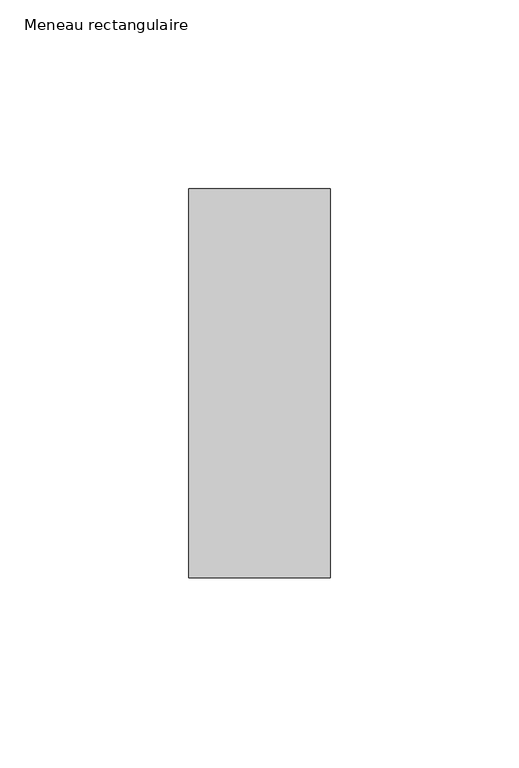
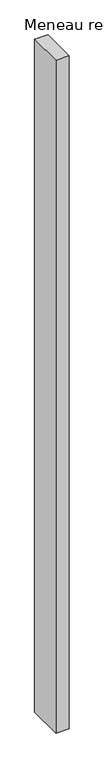
"""IFC4 building model written with IfcOpenShell, lengths in millimetres: member geometry, Meneau rectangulaire."""

import ifcopenshell
import ifcopenshell.guid

model = None  # the IFC model being written
_history = None  # IfcOwnerHistory: only IFC2X3 demands one
_inside = {}  # id of a spatial element -> (the spatial element, [elements in it])
_under = {}  # id of a project, library or spatial element -> (it, [spatial elements below it])
_declared = {}  # id of a project -> (the project, [libraries it declares])
_typed = {}  # id of a type object -> (the type object, [elements of that type])
_made_of = {}  # id of a material, layer set ... -> (it, [elements and type objects made of it])


def new_model(schema):
    """Start an empty IFC model of exactly this schema.

    Asked for "IFC4X3", IfcOpenShell would pick the latest addendum, in which some entities
    have other attributes; the version numbers below select the first issue.
    IFC2X3 requires an IfcOwnerHistory on every rooted entity: one is made here for all.
    """
    global model, _history
    if schema == "IFC4X3":
        model = ifcopenshell.file(schema_version=(4, 3, 0, 0))
    else:
        model = ifcopenshell.file(schema=schema)
    _inside.clear()
    _under.clear()
    _declared.clear()
    _typed.clear()
    _made_of.clear()
    _history = None
    if model.schema == "IFC2X3":
        org = make("IfcOrganization", Name="unknown")
        user = make(
            "IfcPersonAndOrganization",
            ThePerson=make("IfcPerson", FamilyName="unknown"),
            TheOrganization=org,
        )
        app = make(
            "IfcApplication",
            ApplicationDeveloper=org,
            Version="unknown",
            ApplicationFullName="unknown",
            ApplicationIdentifier="unknown",
        )
        _history = make(
            "IfcOwnerHistory",
            OwningUser=user,
            OwningApplication=app,
            ChangeAction="ADDED",
            CreationDate=0,
        )
    return model


def make(cls, **values):
    """One entity of the class cls with the attributes given. An attribute that is None is left unset."""
    return model.create_entity(
        cls, **{name: value for name, value in values.items() if value is not None}
    )


def rooted(cls, **values):
    """An entity with a GlobalId (a new one), such as an element, a storey or a relation."""
    return make(cls, GlobalId=ifcopenshell.guid.new(), OwnerHistory=_history, **values)


def si_unit(unit_type, name, prefix=None):
    """IfcSIUnit, for example si_unit("LENGTHUNIT", "METRE", prefix="MILLI")."""
    return make("IfcSIUnit", UnitType=unit_type, Prefix=prefix, Name=name)


def assignment(units):
    """IfcUnitAssignment: the units of a project."""
    return None if units is None else make("IfcUnitAssignment", Units=units)


def point(xyz):
    """IfcCartesianPoint."""
    return None if xyz is None else make("IfcCartesianPoint", Coordinates=xyz)


def direction(xyz):
    """IfcDirection."""
    return None if xyz is None else make("IfcDirection", DirectionRatios=xyz)


def frame(location, z_axis=None, x_axis=None):
    """IfcAxis2Placement3D, a coordinate frame: its origin and axes. An axis left out is left unset."""
    return make(
        "IfcAxis2Placement3D",
        Location=point(location),
        Axis=direction(z_axis),
        RefDirection=direction(x_axis),
    )


def origin():
    """The frame at (0, 0, 0) with its axes left unset."""
    return frame((0.0, 0.0, 0.0))


def place(relative_to, where):
    """IfcLocalPlacement: puts the frame where relative to a parent placement (None: the world)."""
    return make(
        "IfcLocalPlacement", PlacementRelTo=relative_to, RelativePlacement=where
    )


def context(
    kind, dimensions, precision=None, world=None, true_north=None, identifier=None
):
    """IfcGeometricRepresentationContext, for example the 3D "Model" context."""
    return make(
        "IfcGeometricRepresentationContext",
        ContextIdentifier=identifier,
        ContextType=kind,
        CoordinateSpaceDimension=dimensions,
        Precision=precision,
        WorldCoordinateSystem=world,
        TrueNorth=true_north,
    )


def project(units=None, contexts=None):
    """IfcProject with its units and contexts."""
    return rooted(
        "IfcProject",
        Name="project",
        RepresentationContexts=contexts,
        UnitsInContext=assignment(units),
    )


def spatial(cls, under=None, at=None, **own):
    """A site, building, storey or space (cls), placed at a placement, below another one or the project."""
    s = rooted(cls, ObjectPlacement=at, **own)
    if under is not None:
        _under.setdefault(under.id(), (under, []))[1].append(s)
    return s


def polyline(points):
    """IfcPolyline through the points."""
    return make("IfcPolyline", Points=[point(p) for p in points])


def outline(outer, holes=None, kind="AREA"):
    """IfcArbitraryClosedProfileDef: a profile drawn as a closed curve; with holes, ...WithVoids."""
    if holes is None:
        return make("IfcArbitraryClosedProfileDef", ProfileType=kind, OuterCurve=outer)
    return make(
        "IfcArbitraryProfileDefWithVoids",
        ProfileType=kind,
        OuterCurve=outer,
        InnerCurves=holes,
    )


def extrude(swept, where, along, depth):
    """IfcExtrudedAreaSolid: the profile swept, set in the frame where, extruded along a direction by depth."""
    return make(
        "IfcExtrudedAreaSolid",
        SweptArea=swept,
        Position=where,
        ExtrudedDirection=direction(along),
        Depth=depth,
    )


def shape(context_of_items, identifier, shape_type, items):
    """IfcShapeRepresentation: the items that make up one representation, for example the "Body"."""
    return make(
        "IfcShapeRepresentation",
        ContextOfItems=context_of_items,
        RepresentationIdentifier=identifier,
        RepresentationType=shape_type,
        Items=items,
    )


def source(mapping_origin, context_of_items, identifier, shape_type, items):
    """IfcRepresentationMap: a shape defined once, which mapped items show again and again."""
    return make(
        "IfcRepresentationMap",
        MappingOrigin=mapping_origin,
        MappedRepresentation=shape(context_of_items, identifier, shape_type, items),
    )


def transform(
    local_origin,
    x_axis=None,
    y_axis=None,
    z_axis=None,
    scale=None,
    scale2=None,
    scale3=None,
    uniform=True,
):
    """IfcCartesianTransformationOperator3D, or its non-uniform kind. x_axis, y_axis, z_axis: its Axis1, 2, 3."""
    if uniform:
        return make(
            "IfcCartesianTransformationOperator3D",
            Axis1=direction(x_axis),
            Axis2=direction(y_axis),
            LocalOrigin=point(local_origin),
            Scale=scale,
            Axis3=direction(z_axis),
        )
    return make(
        "IfcCartesianTransformationOperator3DnonUniform",
        Axis1=direction(x_axis),
        Axis2=direction(y_axis),
        LocalOrigin=point(local_origin),
        Scale=scale,
        Axis3=direction(z_axis),
        Scale2=scale2,
        Scale3=scale3,
    )


def mapped(mapping_source, mapping_target):
    """IfcMappedItem: shows the shape of a source again, moved by a transform."""
    return make(
        "IfcMappedItem", MappingSource=mapping_source, MappingTarget=mapping_target
    )


def made_of(thing, what):
    """Note that an element or type object is made of a material, layer set ...; save() writes the relation."""
    if what is not None:
        _made_of.setdefault(what.id(), (what, []))[1].append(thing)
    return thing


def element(
    cls,
    number,
    at=None,
    inside=None,
    cuts=None,
    type_object=None,
    material=None,
    context=None,
    identifier="Body",
    shape_type=None,
    held_by="IfcProductDefinitionShape",
    body=None,
    shapes=None,
    **own,
):
    """One element of the class cls, such as IfcWall. Its Tag is "e" and its number.

    at: its placement. inside: the storey or other place that contains it. cuts: it is an
    opening in that element (IfcRelVoidsElement). A single representation is given by context,
    identifier, shape_type and body (its items); several are given by shapes. held_by: the class
    of the entity that holds the representations. save() writes the other relations.
    """
    e = rooted(cls, Tag="e%d" % number, ObjectPlacement=at, **own)
    if body is not None:
        shapes = [shape(context, identifier, shape_type, body)]
    if shapes is not None:
        e.Representation = make(held_by, Representations=shapes)
    if inside is not None:
        _inside.setdefault(inside.id(), (inside, []))[1].append(e)
    if cuts is not None:
        rooted(
            "IfcRelVoidsElement", RelatingBuildingElement=cuts, RelatedOpeningElement=e
        )
    if type_object is not None:
        _typed.setdefault(type_object.id(), (type_object, []))[1].append(e)
    return made_of(e, material)


def aggregate(whole, parts):
    """IfcRelAggregates: a whole, such as a stair, and the parts it consists of."""
    return rooted("IfcRelAggregates", RelatingObject=whole, RelatedObjects=parts)


def save(model, path):
    """Write the relations noted so far, then the file.

    IfcRelAggregates (storeys below a building ...), IfcRelContainedInSpatialStructure (elements
    in a storey), IfcRelDefinesByType, IfcRelAssociatesMaterial and IfcRelDeclares: one each for
    every whole, place, type object, material and project.
    """
    for whole, parts in _under.values():
        aggregate(whole, parts)
    for where, things in _inside.values():
        rooted(
            "IfcRelContainedInSpatialStructure",
            RelatedElements=things,
            RelatingStructure=where,
        )
    for kind, things in _typed.values():
        rooted("IfcRelDefinesByType", RelatedObjects=things, RelatingType=kind)
    for what, things in _made_of.values():
        rooted("IfcRelAssociatesMaterial", RelatedObjects=things, RelatingMaterial=what)
    for by, libraries in _declared.values():
        rooted("IfcRelDeclares", RelatingContext=by, RelatedDefinitions=libraries)
    model.write(path)


def meneau_rectangulaire_2bb095ca(model_context):
    return source(origin(), model_context, "Body", "SweptSolid", [
        extrude(outline(polyline([(0.0, -51.5), (-37.3886182, -51.5), (-37.3886182, 51.5), (0.0, 51.5), (0.0, -51.5)])), frame((0.0, 0.0, -2000.0), z_axis=(0.0, 0.0, 1.0), x_axis=(1.0, 0.0, 0.0)), (0.0, 0.0, 1.0), 2000.0),
    ])


if __name__ == "__main__":
    model = new_model("IFC4")
    model_context = context("Model", 3, world=origin())
    ifc_project = project(units=[si_unit("LENGTHUNIT", "METRE", prefix="MILLI")], contexts=[model_context])
    site = spatial("IfcSite", under=ifc_project)
    building = spatial("IfcBuilding", under=site)
    placement = place(None, origin())
    meneau_rectangulaire_shape = meneau_rectangulaire_2bb095ca(model_context)
    element("IfcMember", 1, ObjectType="Meneau rectangulaire", at=placement, inside=building, context=model_context, shape_type="MappedRepresentation", body=[
        mapped(meneau_rectangulaire_shape, transform((0.0, 0.0, 0.0), x_axis=(1.0, 0.0, 0.0), y_axis=(0.0, 1.0, 0.0), z_axis=(0.0, 0.0, 1.0))),
    ])
    save(model, "model.ifc")
